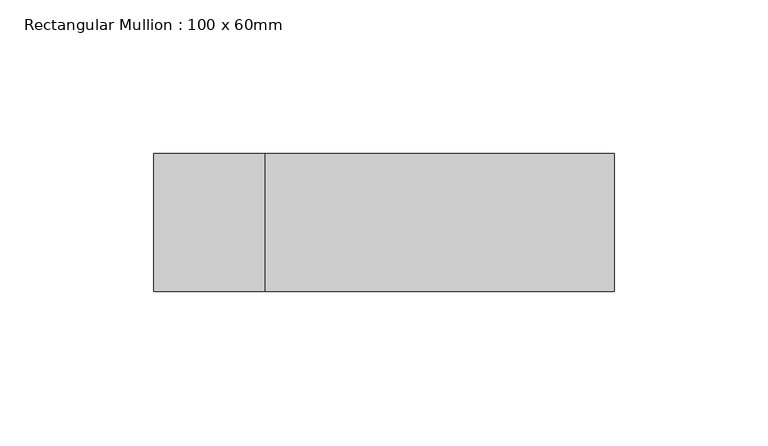
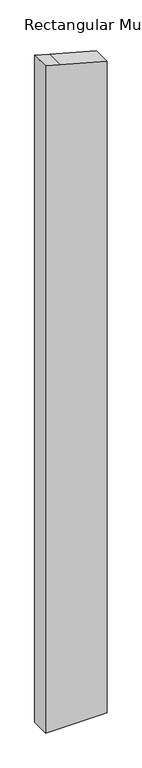
"""IFC4 building model written with IfcOpenShell, lengths in millimetres: member geometry, Rectangular Mullion : 100 x 60mm."""

from ifc_helpers import new_model, si_unit, frame, origin, place, context, project, spatial, polyline, outline, extrude, source, transform, mapped, element, save


def rectangular_mullion_100_x_60mm_919494c6(model_context):
    return source(origin(), model_context, "Body", "SweptSolid", [
        extrude(outline(polyline([(-175.3876165, 75.0), (-144.8888739, -38.8228568), (-135.1952376, -75.0), (-1849.3122117, -75.0), (-1849.3122117, 75.0), (-175.3876165, 75.0)])), frame((0.0, -15.0, 0.0), z_axis=(0.0, 1.0, 0.0), x_axis=(0.0, 0.0, 1.0)), (0.0, 0.0, 1.0), 45.0),
    ])


if __name__ == "__main__":
    model = new_model("IFC4")
    model_context = context("Model", 3, world=origin())
    ifc_project = project(units=[si_unit("LENGTHUNIT", "METRE", prefix="MILLI")], contexts=[model_context])
    site = spatial("IfcSite", under=ifc_project)
    building = spatial("IfcBuilding", under=site)
    placement = place(None, origin())
    rectangular_mullion_100_x_60mm_shape = rectangular_mullion_100_x_60mm_919494c6(model_context)
    element("IfcMember", 1, ObjectType="Rectangular Mullion : 100 x 60mm", at=placement, inside=building, context=model_context, shape_type="MappedRepresentation", body=[
        mapped(rectangular_mullion_100_x_60mm_shape, transform((0.0, 0.0, 0.0), x_axis=(1.0, 0.0, 0.0), y_axis=(0.0, 1.0, 0.0), z_axis=(0.0, 0.0, 1.0))),
    ])
    save(model, "model.ifc")
